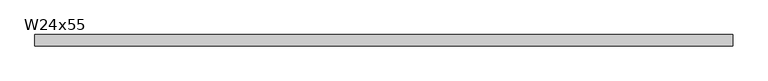
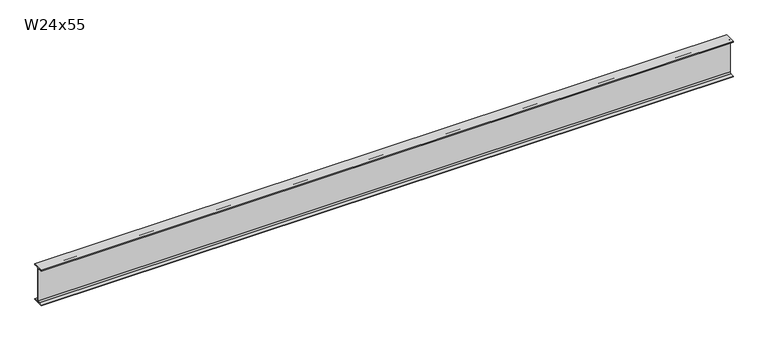
"""IFC4 building model written with IfcOpenShell, lengths in millimetres: beam geometry, W24x55."""

from ifc_helpers import new_model, si_unit, point, frame, frame_2d, origin, place, context, project, spatial, polyline, circle_curve, trimmed, segment, composite_curve, outline, extrude, source, transform, mapped, element, save


def w24x55_cb317c54(model_context):
    return source(origin(), model_context, "Body", "SweptSolid", [
        extrude(outline(composite_curve([segment(polyline([(89.027, -286.893), (89.027, -299.72), (-89.027, -299.72), (-89.027, -286.893), (-28.702, -286.893)]), True, "CONTINUOUS"), segment(trimmed(circle_curve(frame_2d((-28.702, -263.2075)), 23.6855), [point((-28.702, -286.893))], [point((-5.0165, -263.2075))], True, "CARTESIAN"), True, "CONTINUOUS"), segment(polyline([(-5.0165, -263.2075), (-5.0165, 263.2075)]), True, "CONTINUOUS"), segment(trimmed(circle_curve(frame_2d((-28.702, 263.2075)), 23.6855), [point((-5.0165, 263.2075))], [point((-28.702, 286.893))], True, "CARTESIAN"), True, "CONTINUOUS"), segment(polyline([(-28.702, 286.893), (-89.027, 286.893), (-89.027, 299.72), (89.027, 299.72), (89.027, 286.893), (28.702, 286.893)]), True, "CONTINUOUS"), segment(trimmed(circle_curve(frame_2d((28.702, 263.2075)), 23.6855), [point((28.702, 286.893))], [point((5.0165, 263.2075))], True, "CARTESIAN"), True, "CONTINUOUS"), segment(polyline([(5.0165, 263.2075), (5.0165, -263.2075)]), True, "CONTINUOUS"), segment(trimmed(circle_curve(frame_2d((28.702, -263.2075)), 23.6855), [point((5.0165, -263.2075))], [point((28.702, -286.893))], True, "CARTESIAN"), True, "CONTINUOUS"), segment(polyline([(28.702, -286.893), (89.027, -286.893)]), True, "CONTINUOUS")], self_intersect=False)), frame((-5528.205418, 0.0, 0.0), z_axis=(1.0, 0.0, 0.0), x_axis=(0.0, 1.0, 0.0)), (0.0, 0.0, 1.0), 11057.7354256),
    ])


if __name__ == "__main__":
    model = new_model("IFC4")
    model_context = context("Model", 3, world=origin())
    ifc_project = project(units=[si_unit("LENGTHUNIT", "METRE", prefix="MILLI")], contexts=[model_context])
    site = spatial("IfcSite", under=ifc_project)
    building = spatial("IfcBuilding", under=site)
    placement = place(None, origin())
    w24x55_shape = w24x55_cb317c54(model_context)
    element("IfcBeam", 1, ObjectType="W24x55", at=placement, inside=building, context=model_context, shape_type="MappedRepresentation", body=[
        mapped(w24x55_shape, transform((0.0, 0.0, 0.0), x_axis=(1.0, 0.0, 0.0), y_axis=(0.0, 1.0, 0.0), z_axis=(0.0, 0.0, 1.0))),
    ])
    save(model, "model.ifc")
